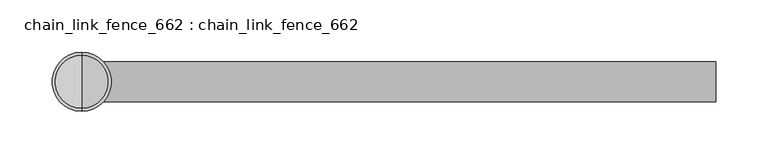
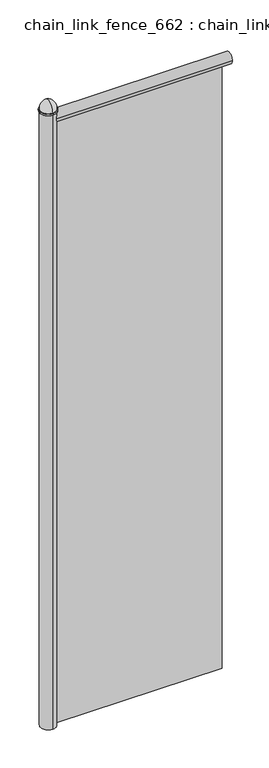
"""IFC4 building model written with IfcOpenShell, lengths in millimetres: proxy geometry, chain_link_fence_662 : chain_link_fence_662."""

from ifc_helpers import new_model, si_unit, point, frame, origin, origin_with_axes, place, context, project, spatial, polyline, circle_curve, ellipse_curve, trimmed, outline, extrude, source, transform, mapped, element, save
from ifc_brep_helpers import plane_surface, cylinder_surface, revolved_surface, advanced_brep


def chain_link_fence_662_chain_link_fence_662_913817dc(model_context):
    return source(origin(), model_context, "Body", "SolidModel", [
        advanced_brep(
        [(0.0, 0.0, 2178.05), (0.0, -28.2826692, 2178.05), (0.0, 28.2826692, 2178.05), (0.0, -25.4, 2183.5305324), (0.0, 0.0, 2215.4486146), (0.0, 25.4, 2183.5305324), (0.0, -28.2826692, 2183.5305324), (0.0, 28.2826692, 2183.5305324)],
        [
            (0, 1),
            (1, 2, circle_curve(frame((0.0, 0.0, 2178.05), z_axis=(0.0, 0.0, -1.0), x_axis=(0.0, 1.0, 0.0)), 28.2826692)),
            (2, 0),
            (2, 1, circle_curve(frame((0.0, 0.0, 2178.05), z_axis=(0.0, 0.0, -1.0), x_axis=(0.0, 1.0, 0.0)), 28.2826692)),
            (3, 4, circle_curve(frame((0.0, 6.3879428, 2184.2996337), z_axis=(-1.0, 0.0, 0.0), x_axis=(0.0, 1.0, 0.0)), 31.7972455)),
            (4, 5, circle_curve(frame((0.0, -6.3879428, 2184.2996337), z_axis=(-1.0, 0.0, 0.0), x_axis=(0.0, -1.0, 0.0)), 31.7972455)),
            (5, 3, circle_curve(frame((0.0, 0.0, 2183.5305324), z_axis=(0.0, 0.0, 1.0), x_axis=(0.0, 1.0, 0.0)), 25.4)),
            (3, 5, circle_curve(frame((0.0, 0.0, 2183.5305324), z_axis=(0.0, 0.0, 1.0), x_axis=(0.0, 1.0, 0.0)), 25.4)),
            (6, 3),
            (5, 7),
            (7, 6, circle_curve(frame((0.0, 0.0, 2183.5305324), z_axis=(0.0, 0.0, 1.0), x_axis=(0.0, 1.0, 0.0)), 28.2826692)),
            (6, 7, circle_curve(frame((0.0, 0.0, 2183.5305324), z_axis=(0.0, 0.0, 1.0), x_axis=(0.0, 1.0, 0.0)), 28.2826692)),
            (1, 6),
            (7, 2),
        ],
        [
            plane_surface(frame((0.0, 0.0, 2178.05), z_axis=(0.0, 0.0, -1.0), x_axis=(0.0, 1.0, 0.0))),
            revolved_surface(trimmed(ellipse_curve(frame((0.0, -6.3879428, 2184.2996337), z_axis=(-1.0, 0.0, 0.0), x_axis=(0.0, -1.0, 0.0)), 31.7972455, 31.7972455), [point((0.0, 0.0, 2215.4486146))], [point((0.0, 25.4, 2183.5305324))], True, "CARTESIAN"), (0.0, 0.0, 2285.5203947), (0.0, 0.0, -1.0)),
            plane_surface(frame((0.0, 0.0, 2183.5305324), z_axis=(0.0, 0.0, 1.0), x_axis=(0.0, 1.0, 0.0))),
            cylinder_surface(frame((0.0, 0.0, 2285.5203947), z_axis=(0.0, 0.0, -1.0), x_axis=(0.0, 1.0, 0.0)), 28.2826692),
        ],
        [
            (0, [[1, 2, 3]]),
            (0, [[-3, 4, -1]]),
            (1, [[5, 6, 7]]),
            (1, [[-6, -5, 8]]),
            (2, [[9, -7, 10, 11]]),
            (2, [[-10, -8, -9, 12]]),
            (3, [[13, -11, 14, -2]]),
            (3, [[-14, -12, -13, -4]]),
        ],
    ),
        advanced_brep(
        [(0.0, -25.4, 0.0), (0.0, -25.4, 2178.05), (0.0, 25.4, 2178.05), (0.0, 25.4, 0.0), (0.0, 0.0, 0.0), (0.0, 0.0, 2178.05)],
        [
            (0, 1),
            (1, 2, circle_curve(frame((0.0, 0.0, 2178.05), z_axis=(0.0, 0.0, -1.0), x_axis=(0.0, 1.0, 0.0)), 25.4)),
            (2, 3),
            (3, 0, circle_curve(frame((0.0, 0.0, 0.0), z_axis=(0.0, 0.0, 1.0), x_axis=(0.0, 1.0, 0.0)), 25.4)),
            (2, 1, circle_curve(frame((0.0, 0.0, 2178.05), z_axis=(0.0, 0.0, -1.0), x_axis=(0.0, 1.0, 0.0)), 25.4)),
            (0, 3, circle_curve(frame((0.0, 0.0, 0.0), z_axis=(0.0, 0.0, 1.0), x_axis=(0.0, 1.0, 0.0)), 25.4)),
            (4, 0),
            (3, 4),
            (1, 5),
            (5, 2),
        ],
        [
            cylinder_surface(frame((0.0, 0.0, 2375.7836045), z_axis=(0.0, 0.0, -1.0), x_axis=(0.0, 1.0, 0.0)), 25.4),
            plane_surface(frame((0.0, 0.0, 0.0), z_axis=(0.0, 0.0, -1.0), x_axis=(0.0, 1.0, 0.0))),
            plane_surface(frame((0.0, 0.0, 2178.05), z_axis=(0.0, 0.0, 1.0), x_axis=(0.0, 1.0, 0.0))),
        ],
        [
            (0, [[1, 2, 3, 4]]),
            (0, [[-3, 5, -1, 6]]),
            (1, [[7, -4, 8]]),
            (1, [[-8, -6, -7]]),
            (2, [[9, 10, -2]]),
            (2, [[-10, -9, -5]]),
        ],
    ),
        advanced_brep(
        [(606.9675224, 19.05, 2152.65), (606.9675224, 0.0, 2152.65), (606.9675224, -19.05, 2152.65), (0.0, 19.05, 2152.65), (0.0, -19.05, 2152.65), (0.0, 0.0, 2152.65)],
        [
            (0, 1),
            (1, 2),
            (2, 0, circle_curve(frame((606.9675224, 0.0, 2152.65), z_axis=(1.0, 0.0, 0.0), x_axis=(0.0, -1.0, 0.0)), 19.05)),
            (0, 2, circle_curve(frame((606.9675224, 0.0, 2152.65), z_axis=(1.0, 0.0, 0.0), x_axis=(0.0, -1.0, 0.0)), 19.05)),
            (3, 0),
            (2, 4),
            (4, 3, circle_curve(frame((0.0, 0.0, 2152.65), z_axis=(1.0, 0.0, 0.0), x_axis=(0.0, -1.0, 0.0)), 19.05)),
            (3, 4, circle_curve(frame((0.0, 0.0, 2152.65), z_axis=(1.0, 0.0, 0.0), x_axis=(0.0, -1.0, 0.0)), 19.05)),
            (5, 3),
            (4, 5),
        ],
        [
            plane_surface(frame((606.9675224, 0.0, 2152.65), z_axis=(1.0, 0.0, 0.0), x_axis=(0.0, -1.0, 0.0))),
            cylinder_surface(frame((-263.9427188, 0.0, 2152.65), z_axis=(-1.0, 0.0, 0.0), x_axis=(0.0, -1.0, 0.0)), 19.05),
            plane_surface(frame((0.0, 0.0, 2152.65), z_axis=(-1.0, 0.0, 0.0), x_axis=(0.0, -1.0, 0.0))),
        ],
        [
            (0, [[1, 2, 3]]),
            (0, [[-2, -1, 4]]),
            (1, [[5, -3, 6, 7]]),
            (1, [[-6, -4, -5, 8]]),
            (2, [[9, -7, 10]]),
            (2, [[-10, -8, -9]]),
        ],
    ),
        extrude(outline(polyline([(581.5675224, 3.175), (581.5675224, -3.175), (25.4, -3.175), (25.4, 3.175), (581.5675224, 3.175)])), origin_with_axes(), (0.0, 0.0, 1.0), 2133.6),
    ])


if __name__ == "__main__":
    model = new_model("IFC4")
    model_context = context("Model", 3, world=origin())
    ifc_project = project(units=[si_unit("LENGTHUNIT", "METRE", prefix="MILLI")], contexts=[model_context])
    site = spatial("IfcSite", under=ifc_project)
    building = spatial("IfcBuilding", under=site)
    placement = place(None, origin())
    chain_link_fence_662_chain_link_fence_662_shape = chain_link_fence_662_chain_link_fence_662_913817dc(model_context)
    element("IfcBuildingElementProxy", 1, Name="chain_link_fence_662 : chain_link_fence_662", ObjectType="chain_link_fence_662 : chain_link_fence_662", at=placement, inside=building, context=model_context, shape_type="MappedRepresentation", body=[
        mapped(chain_link_fence_662_chain_link_fence_662_shape, transform((0.0, 0.0, 0.0), x_axis=(1.0, 0.0, 0.0), y_axis=(0.0, 1.0, 0.0), z_axis=(0.0, 0.0, 1.0))),
    ])
    save(model, "model.ifc")
